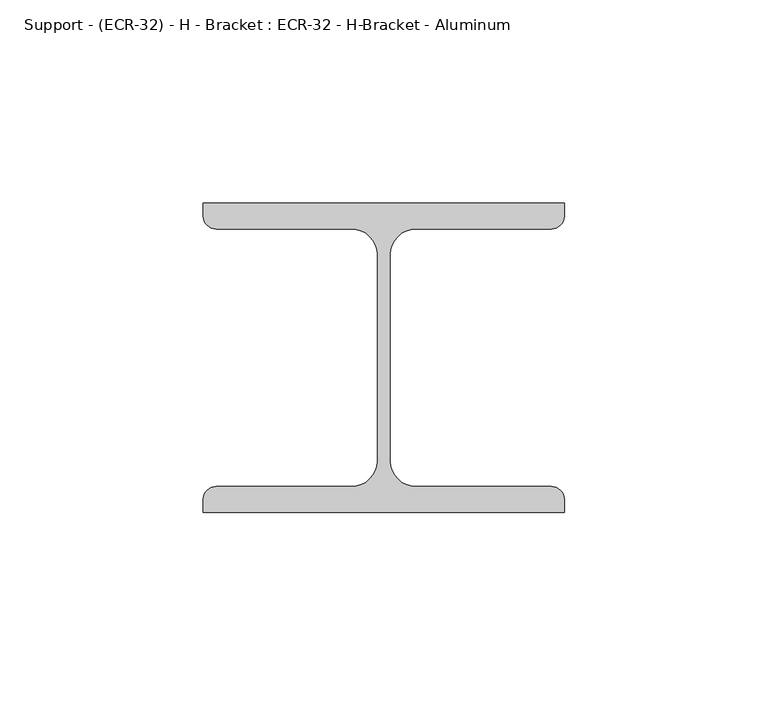
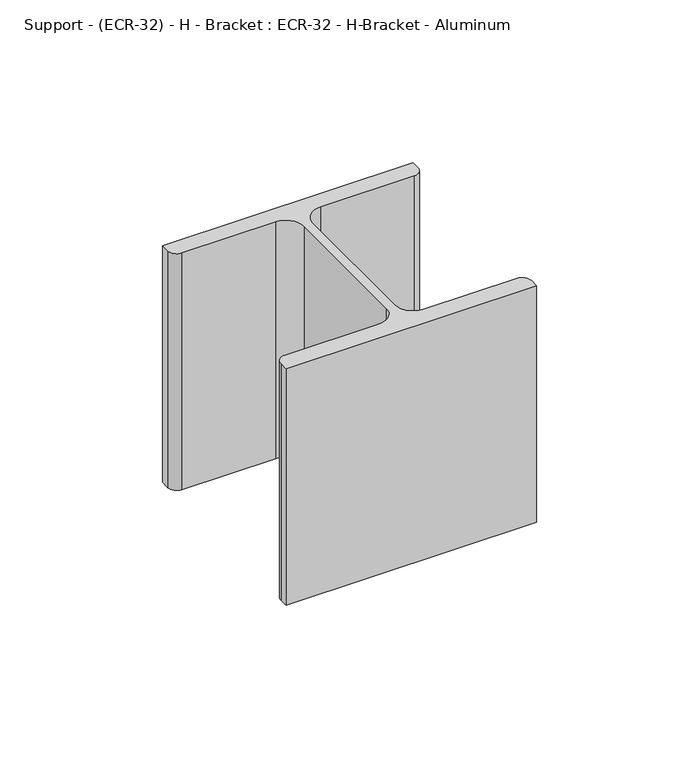
"""IFC4 building model written with IfcOpenShell, lengths in millimetres: proxy geometry, Support - (ECR-32) - H - Bracket : ECR-32 - H-Bracket - Aluminum."""

from ifc_helpers import new_model, si_unit, point, frame, frame_2d, origin, place, context, project, spatial, polyline, circle_curve, trimmed, segment, composite_curve, outline, extrude, source, transform, mapped, element, save


def support_ecr_32_h_bracket_ecr_32_h_bracket_aluminum_b9fc89f2(model_context):
    return source(origin(), model_context, "Body", "SweptSolid", [
        extrude(outline(composite_curve([segment(polyline([(44.45, 79.2852417), (44.45, 76.1102417)]), True, "CONTINUOUS"), segment(trimmed(circle_curve(frame_2d((41.275, 76.1102417)), 3.175), [point((44.45, 76.1102417))], [point((41.275, 72.9352417))], False, "CARTESIAN"), True, "CONTINUOUS"), segment(polyline([(41.275, 72.9352417), (7.9375, 72.9352417)]), True, "CONTINUOUS"), segment(trimmed(circle_curve(frame_2d((7.9375, 66.5852417)), 6.35), [point((7.9375, 72.9352417))], [point((1.5875, 66.5852417))], True, "CARTESIAN"), True, "CONTINUOUS"), segment(polyline([(1.5875, 66.5852417), (1.5875, 15.875)]), True, "CONTINUOUS"), segment(trimmed(circle_curve(frame_2d((7.9375, 15.875)), 6.35), [point((1.5875, 15.875))], [point((7.9375, 9.525))], True, "CARTESIAN"), True, "CONTINUOUS"), segment(polyline([(7.9375, 9.525), (41.275, 9.525)]), True, "CONTINUOUS"), segment(trimmed(circle_curve(frame_2d((41.275, 6.35)), 3.175), [point((41.275, 9.525))], [point((44.45, 6.35))], False, "CARTESIAN"), True, "CONTINUOUS"), segment(polyline([(44.45, 6.35), (44.45, 3.175), (-44.45, 3.175), (-44.45, 6.35)]), True, "CONTINUOUS"), segment(trimmed(circle_curve(frame_2d((-41.275, 6.35)), 3.175), [point((-44.45, 6.35))], [point((-41.275, 9.525))], False, "CARTESIAN"), True, "CONTINUOUS"), segment(polyline([(-41.275, 9.525), (-7.9375, 9.525)]), True, "CONTINUOUS"), segment(trimmed(circle_curve(frame_2d((-7.9375, 15.875)), 6.35), [point((-7.9375, 9.525))], [point((-1.5875, 15.875))], True, "CARTESIAN"), True, "CONTINUOUS"), segment(polyline([(-1.5875, 15.875), (-1.5875, 66.5852417)]), True, "CONTINUOUS"), segment(trimmed(circle_curve(frame_2d((-7.9375, 66.5852417)), 6.35), [point((-1.5875, 66.5852417))], [point((-7.9375, 72.9352417))], True, "CARTESIAN"), True, "CONTINUOUS"), segment(polyline([(-7.9375, 72.9352417), (-41.275, 72.9352417)]), True, "CONTINUOUS"), segment(trimmed(circle_curve(frame_2d((-41.275, 76.1102417)), 3.175), [point((-41.275, 72.9352417))], [point((-44.45, 76.1102417))], False, "CARTESIAN"), True, "CONTINUOUS"), segment(polyline([(-44.45, 76.1102417), (-44.45, 79.2852417), (44.45, 79.2852417)]), True, "CONTINUOUS")], self_intersect=False)), frame((0.0, 0.0, 6.35), z_axis=(0.0, 0.0, 1.0), x_axis=(1.0, 0.0, 0.0)), (0.0, 0.0, 1.0), 88.9),
    ])


if __name__ == "__main__":
    model = new_model("IFC4")
    model_context = context("Model", 3, world=origin())
    ifc_project = project(units=[si_unit("LENGTHUNIT", "METRE", prefix="MILLI")], contexts=[model_context])
    site = spatial("IfcSite", under=ifc_project)
    building = spatial("IfcBuilding", under=site)
    placement = place(None, origin())
    support_ecr_32_h_bracket_ecr_32_h_bracket_aluminum_shape = support_ecr_32_h_bracket_ecr_32_h_bracket_aluminum_b9fc89f2(model_context)
    element("IfcBuildingElementProxy", 1, Name="Support - (ECR-32) - H - Bracket : ECR-32 - H-Bracket - Aluminum", ObjectType="Support - (ECR-32) - H - Bracket : ECR-32 - H-Bracket - Aluminum", at=placement, inside=building, context=model_context, shape_type="MappedRepresentation", body=[
        mapped(support_ecr_32_h_bracket_ecr_32_h_bracket_aluminum_shape, transform((0.0, 0.0, 0.0), x_axis=(1.0, 0.0, 0.0), y_axis=(0.0, 1.0, 0.0), z_axis=(0.0, 0.0, 1.0))),
    ])
    save(model, "model.ifc")
